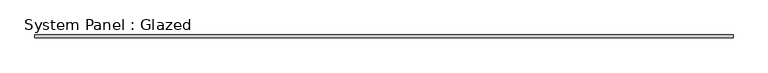
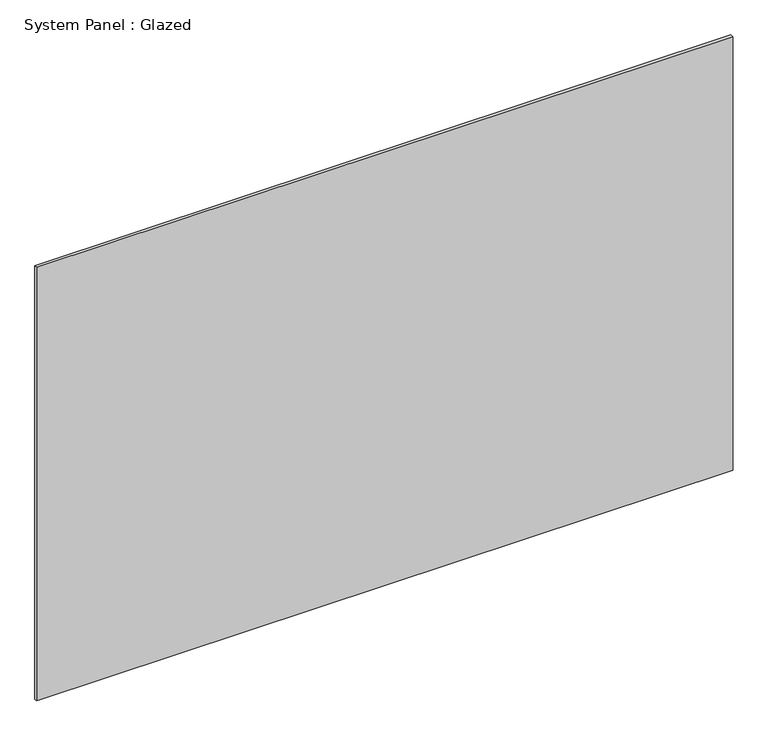
"""IFC4 building model written with IfcOpenShell, lengths in millimetres: plate geometry, System Panel : Glazed."""

from ifc_helpers import new_model, si_unit, origin, origin_with_axes, place, context, project, spatial, polyline, outline, extrude, source, transform, mapped, element, save


def system_panel_glazed_7d9910c4(model_context):
    return source(origin(), model_context, "Body", "SweptSolid", [
        extrude(outline(polyline([(2925.0, -22.5), (-2925.0, -22.5), (-2925.0, 2.5), (2925.0, 2.5), (2925.0, -22.5)])), origin_with_axes(), (0.0, 0.0, 1.0), 3850.0),
    ])


if __name__ == "__main__":
    model = new_model("IFC4")
    model_context = context("Model", 3, world=origin())
    ifc_project = project(units=[si_unit("LENGTHUNIT", "METRE", prefix="MILLI")], contexts=[model_context])
    site = spatial("IfcSite", under=ifc_project)
    building = spatial("IfcBuilding", under=site)
    placement = place(None, origin())
    system_panel_glazed_shape = system_panel_glazed_7d9910c4(model_context)
    element("IfcPlate", 1, ObjectType="System Panel : Glazed", at=placement, inside=building, context=model_context, shape_type="MappedRepresentation", body=[
        mapped(system_panel_glazed_shape, transform((0.0, 0.0, 0.0), x_axis=(1.0, 0.0, 0.0), y_axis=(0.0, 1.0, 0.0), z_axis=(0.0, 0.0, 1.0))),
    ])
    save(model, "model.ifc")
